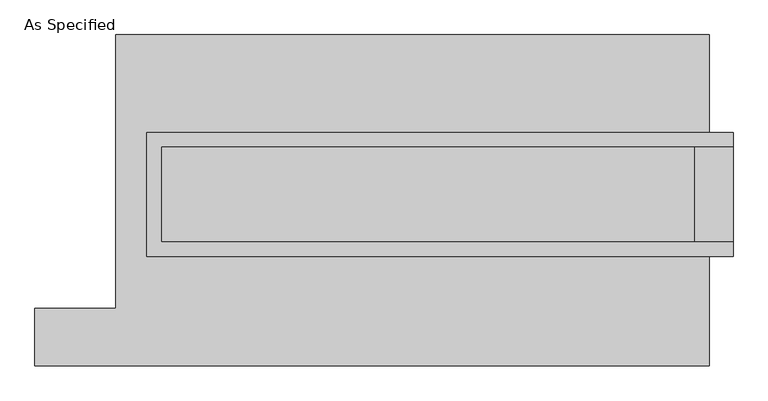
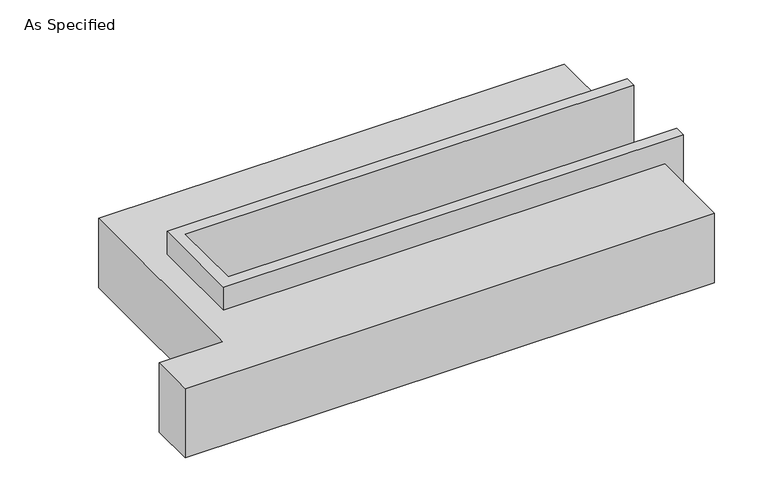
"""IFC4 building model written with IfcOpenShell, lengths in millimetres: proxy geometry, As Specified."""

from ifc_helpers import new_model, si_unit, origin, place, context, project, spatial, faceted_brep, source, transform, mapped, element, save


def as_specified_21aec712(model_context):
    return source(origin(), model_context, "Body", "Brep", [
        faceted_brep([(-1416.05, 361.95, 139.7), (-1416.05, 361.95, -393.7), (-1416.05, 285.75, -393.7), (-1416.05, 285.75, -25.4), (-1416.05, -222.25, -25.4), (-1416.05, -222.25, -393.7), (-1416.05, -298.45, -393.7), (-1416.05, -298.45, 139.7), (1708.15, 285.75, 139.7), (1708.15, 285.75, -317.5), (1708.15, -222.25, -317.5), (1708.15, -222.25, 139.7), (1708.15, -298.45, 139.7), (1708.15, -298.45, -393.7), (1708.15, 361.95, -393.7), (1708.15, 361.95, 139.7), (-1339.85, -222.25, 139.7), (-1339.85, 285.75, 139.7), (1504.95, -222.25, -393.7), (1504.95, 285.75, -393.7), (1504.95, -222.25, -317.5), (-1339.85, -222.25, -25.4), (1504.95, 285.75, -317.5), (-1339.85, 285.75, -25.4)], [[[0, 1, 2, 3, 4, 5, 6, 7]], [[8, 9, 10, 11, 12, 13, 14, 15]], [[0, 7, 12, 11, 16, 17, 8, 15]], [[1, 0, 15, 14]], [[14, 13, 6, 5, 18, 19, 2, 1]], [[7, 6, 13, 12]], [[11, 10, 20, 18, 5, 4, 21, 16]], [[10, 9, 22, 20]], [[9, 8, 17, 23, 3, 2, 19, 22]], [[18, 20, 22, 19]], [[23, 21, 4, 3]], [[17, 16, 21, 23]]]),
        faceted_brep([(-1581.15, 882.65, -523.9742188), (1581.15, 882.65, -523.9742188), (1581.15, -882.65, -523.9742188), (-2012.95, -882.65, -523.9742188), (-2012.95, -577.85, -523.9742188), (-1581.15, -577.85, -523.9742188), (1581.15, 882.65, -25.4), (-1581.15, 882.65, -25.4), (-1581.15, -577.85, -25.4), (-2012.95, -577.85, -25.4), (-2012.95, -882.65, -25.4), (1581.15, -882.65, -25.4), (1581.15, -298.45, -25.4), (-1416.05, -298.45, -25.4), (-1416.05, 361.95, -25.4), (1581.15, 361.95, -25.4), (1581.15, 361.95, -393.7), (1581.15, -298.45, -393.7), (-1416.05, -298.45, -393.7), (-1416.05, 361.95, -393.7)], [[[0, 1, 2, 3, 4, 5]], [[6, 7, 8, 9, 10, 11, 12, 13, 14, 15]], [[1, 0, 7, 6]], [[7, 0, 5, 8]], [[1, 6, 15, 16, 17, 12, 11, 2]], [[3, 2, 11, 10]], [[18, 19, 14, 13]], [[14, 19, 16, 15]], [[19, 18, 17, 16]], [[18, 13, 12, 17]], [[5, 4, 9, 8]], [[4, 3, 10, 9]]]),
    ])


if __name__ == "__main__":
    model = new_model("IFC4")
    model_context = context("Model", 3, world=origin())
    ifc_project = project(units=[si_unit("LENGTHUNIT", "METRE", prefix="MILLI")], contexts=[model_context])
    site = spatial("IfcSite", under=ifc_project)
    building = spatial("IfcBuilding", under=site)
    placement = place(None, origin())
    as_specified_shape = as_specified_21aec712(model_context)
    element("IfcBuildingElementProxy", 1, Name="As Specified", ObjectType="As Specified", at=placement, inside=building, context=model_context, shape_type="MappedRepresentation", body=[
        mapped(as_specified_shape, transform((0.0, 0.0, 0.0), x_axis=(1.0, 0.0, 0.0), y_axis=(0.0, 1.0, 0.0), z_axis=(0.0, 0.0, 1.0))),
    ])
    save(model, "model.ifc")
